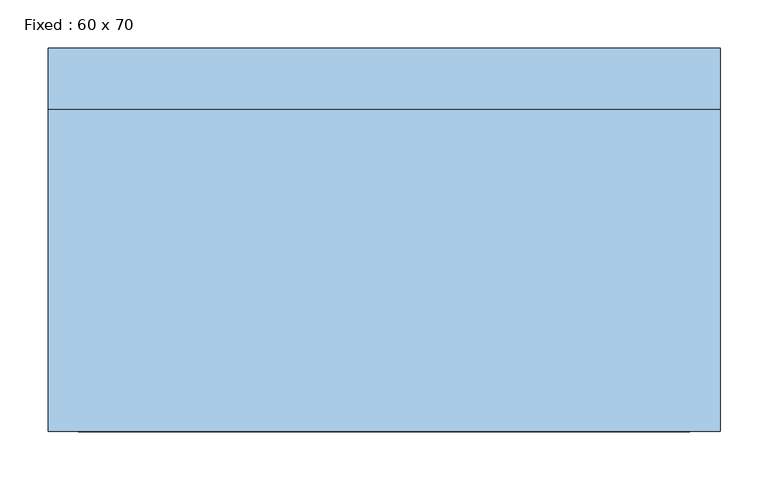
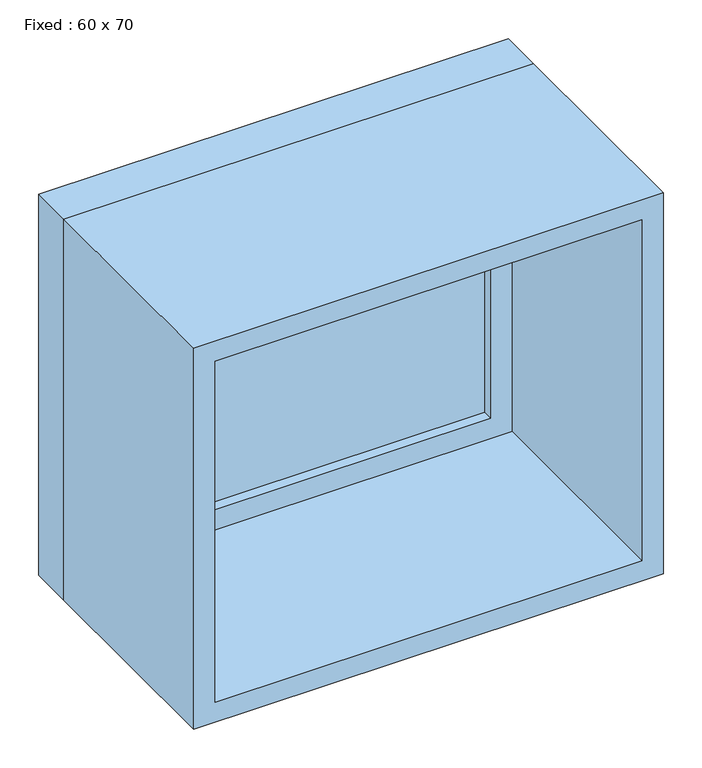
"""IFC4 building model written with IfcOpenShell, lengths in millimetres: window geometry, Fixed : 60 x 70."""

import ifcopenshell
import ifcopenshell.guid

model = None  # the IFC model being written
_history = None  # IfcOwnerHistory: only IFC2X3 demands one
_inside = {}  # id of a spatial element -> (the spatial element, [elements in it])
_under = {}  # id of a project, library or spatial element -> (it, [spatial elements below it])
_declared = {}  # id of a project -> (the project, [libraries it declares])
_typed = {}  # id of a type object -> (the type object, [elements of that type])
_made_of = {}  # id of a material, layer set ... -> (it, [elements and type objects made of it])


def new_model(schema):
    """Start an empty IFC model of exactly this schema.

    Asked for "IFC4X3", IfcOpenShell would pick the latest addendum, in which some entities
    have other attributes; the version numbers below select the first issue.
    IFC2X3 requires an IfcOwnerHistory on every rooted entity: one is made here for all.
    """
    global model, _history
    if schema == "IFC4X3":
        model = ifcopenshell.file(schema_version=(4, 3, 0, 0))
    else:
        model = ifcopenshell.file(schema=schema)
    _inside.clear()
    _under.clear()
    _declared.clear()
    _typed.clear()
    _made_of.clear()
    _history = None
    if model.schema == "IFC2X3":
        org = make("IfcOrganization", Name="unknown")
        user = make(
            "IfcPersonAndOrganization",
            ThePerson=make("IfcPerson", FamilyName="unknown"),
            TheOrganization=org,
        )
        app = make(
            "IfcApplication",
            ApplicationDeveloper=org,
            Version="unknown",
            ApplicationFullName="unknown",
            ApplicationIdentifier="unknown",
        )
        _history = make(
            "IfcOwnerHistory",
            OwningUser=user,
            OwningApplication=app,
            ChangeAction="ADDED",
            CreationDate=0,
        )
    return model


def make(cls, **values):
    """One entity of the class cls with the attributes given. An attribute that is None is left unset."""
    return model.create_entity(
        cls, **{name: value for name, value in values.items() if value is not None}
    )


def rooted(cls, **values):
    """An entity with a GlobalId (a new one), such as an element, a storey or a relation."""
    return make(cls, GlobalId=ifcopenshell.guid.new(), OwnerHistory=_history, **values)


def si_unit(unit_type, name, prefix=None):
    """IfcSIUnit, for example si_unit("LENGTHUNIT", "METRE", prefix="MILLI")."""
    return make("IfcSIUnit", UnitType=unit_type, Prefix=prefix, Name=name)


def assignment(units):
    """IfcUnitAssignment: the units of a project."""
    return None if units is None else make("IfcUnitAssignment", Units=units)


def point(xyz):
    """IfcCartesianPoint."""
    return None if xyz is None else make("IfcCartesianPoint", Coordinates=xyz)


def direction(xyz):
    """IfcDirection."""
    return None if xyz is None else make("IfcDirection", DirectionRatios=xyz)


def frame(location, z_axis=None, x_axis=None):
    """IfcAxis2Placement3D, a coordinate frame: its origin and axes. An axis left out is left unset."""
    return make(
        "IfcAxis2Placement3D",
        Location=point(location),
        Axis=direction(z_axis),
        RefDirection=direction(x_axis),
    )


def origin():
    """The frame at (0, 0, 0) with its axes left unset."""
    return frame((0.0, 0.0, 0.0))


def place(relative_to, where):
    """IfcLocalPlacement: puts the frame where relative to a parent placement (None: the world)."""
    return make(
        "IfcLocalPlacement", PlacementRelTo=relative_to, RelativePlacement=where
    )


def context(
    kind, dimensions, precision=None, world=None, true_north=None, identifier=None
):
    """IfcGeometricRepresentationContext, for example the 3D "Model" context."""
    return make(
        "IfcGeometricRepresentationContext",
        ContextIdentifier=identifier,
        ContextType=kind,
        CoordinateSpaceDimension=dimensions,
        Precision=precision,
        WorldCoordinateSystem=world,
        TrueNorth=true_north,
    )


def project(units=None, contexts=None):
    """IfcProject with its units and contexts."""
    return rooted(
        "IfcProject",
        Name="project",
        RepresentationContexts=contexts,
        UnitsInContext=assignment(units),
    )


def spatial(cls, under=None, at=None, **own):
    """A site, building, storey or space (cls), placed at a placement, below another one or the project."""
    s = rooted(cls, ObjectPlacement=at, **own)
    if under is not None:
        _under.setdefault(under.id(), (under, []))[1].append(s)
    return s


def polyline(points):
    """IfcPolyline through the points."""
    return make("IfcPolyline", Points=[point(p) for p in points])


def outline(outer, holes=None, kind="AREA"):
    """IfcArbitraryClosedProfileDef: a profile drawn as a closed curve; with holes, ...WithVoids."""
    if holes is None:
        return make("IfcArbitraryClosedProfileDef", ProfileType=kind, OuterCurve=outer)
    return make(
        "IfcArbitraryProfileDefWithVoids",
        ProfileType=kind,
        OuterCurve=outer,
        InnerCurves=holes,
    )


def extrude(swept, where, along, depth):
    """IfcExtrudedAreaSolid: the profile swept, set in the frame where, extruded along a direction by depth."""
    return make(
        "IfcExtrudedAreaSolid",
        SweptArea=swept,
        Position=where,
        ExtrudedDirection=direction(along),
        Depth=depth,
    )


def shape(context_of_items, identifier, shape_type, items):
    """IfcShapeRepresentation: the items that make up one representation, for example the "Body"."""
    return make(
        "IfcShapeRepresentation",
        ContextOfItems=context_of_items,
        RepresentationIdentifier=identifier,
        RepresentationType=shape_type,
        Items=items,
    )


def source(mapping_origin, context_of_items, identifier, shape_type, items):
    """IfcRepresentationMap: a shape defined once, which mapped items show again and again."""
    return make(
        "IfcRepresentationMap",
        MappingOrigin=mapping_origin,
        MappedRepresentation=shape(context_of_items, identifier, shape_type, items),
    )


def transform(
    local_origin,
    x_axis=None,
    y_axis=None,
    z_axis=None,
    scale=None,
    scale2=None,
    scale3=None,
    uniform=True,
):
    """IfcCartesianTransformationOperator3D, or its non-uniform kind. x_axis, y_axis, z_axis: its Axis1, 2, 3."""
    if uniform:
        return make(
            "IfcCartesianTransformationOperator3D",
            Axis1=direction(x_axis),
            Axis2=direction(y_axis),
            LocalOrigin=point(local_origin),
            Scale=scale,
            Axis3=direction(z_axis),
        )
    return make(
        "IfcCartesianTransformationOperator3DnonUniform",
        Axis1=direction(x_axis),
        Axis2=direction(y_axis),
        LocalOrigin=point(local_origin),
        Scale=scale,
        Axis3=direction(z_axis),
        Scale2=scale2,
        Scale3=scale3,
    )


def mapped(mapping_source, mapping_target):
    """IfcMappedItem: shows the shape of a source again, moved by a transform."""
    return make(
        "IfcMappedItem", MappingSource=mapping_source, MappingTarget=mapping_target
    )


def made_of(thing, what):
    """Note that an element or type object is made of a material, layer set ...; save() writes the relation."""
    if what is not None:
        _made_of.setdefault(what.id(), (what, []))[1].append(thing)
    return thing


def element(
    cls,
    number,
    at=None,
    inside=None,
    cuts=None,
    type_object=None,
    material=None,
    context=None,
    identifier="Body",
    shape_type=None,
    held_by="IfcProductDefinitionShape",
    body=None,
    shapes=None,
    **own,
):
    """One element of the class cls, such as IfcWall. Its Tag is "e" and its number.

    at: its placement. inside: the storey or other place that contains it. cuts: it is an
    opening in that element (IfcRelVoidsElement). A single representation is given by context,
    identifier, shape_type and body (its items); several are given by shapes. held_by: the class
    of the entity that holds the representations. save() writes the other relations.
    """
    e = rooted(cls, Tag="e%d" % number, ObjectPlacement=at, **own)
    if body is not None:
        shapes = [shape(context, identifier, shape_type, body)]
    if shapes is not None:
        e.Representation = make(held_by, Representations=shapes)
    if inside is not None:
        _inside.setdefault(inside.id(), (inside, []))[1].append(e)
    if cuts is not None:
        rooted(
            "IfcRelVoidsElement", RelatingBuildingElement=cuts, RelatedOpeningElement=e
        )
    if type_object is not None:
        _typed.setdefault(type_object.id(), (type_object, []))[1].append(e)
    return made_of(e, material)


def aggregate(whole, parts):
    """IfcRelAggregates: a whole, such as a stair, and the parts it consists of."""
    return rooted("IfcRelAggregates", RelatingObject=whole, RelatedObjects=parts)


def save(model, path):
    """Write the relations noted so far, then the file.

    IfcRelAggregates (storeys below a building ...), IfcRelContainedInSpatialStructure (elements
    in a storey), IfcRelDefinesByType, IfcRelAssociatesMaterial and IfcRelDeclares: one each for
    every whole, place, type object, material and project.
    """
    for whole, parts in _under.values():
        aggregate(whole, parts)
    for where, things in _inside.values():
        rooted(
            "IfcRelContainedInSpatialStructure",
            RelatedElements=things,
            RelatingStructure=where,
        )
    for kind, things in _typed.values():
        rooted("IfcRelDefinesByType", RelatedObjects=things, RelatingType=kind)
    for what, things in _made_of.values():
        rooted("IfcRelAssociatesMaterial", RelatedObjects=things, RelatingMaterial=what)
    for by, libraries in _declared.values():
        rooted("IfcRelDeclares", RelatingContext=by, RelatedDefinitions=libraries)
    model.write(path)


def fixed_60_x_70_818b0f42(model_context):
    return source(origin(), model_context, "Body", "SweptSolid", [
        extrude(outline(polyline([(248.4, 151.425), (-324.6, 151.425), (-324.6, 164.125), (248.4, 164.125), (248.4, 151.425)])), frame((0.0, 0.0, 763.5), z_axis=(0.0, 0.0, 1.0), x_axis=(1.0, 0.0, 0.0)), (0.0, 0.0, 1.0), 473.0),
        extrude(outline(polyline([(1280.95, -369.05), (719.05, -369.05), (719.05, 292.85), (1280.95, 292.85), (1280.95, -369.05)]), holes=[polyline([(1236.5, -324.6), (1236.5, 248.4), (763.5, 248.4), (763.5, -324.6), (1236.5, -324.6)])]), frame((0.0, 135.55, 0.0), z_axis=(0.0, 1.0, 0.0), x_axis=(0.0, 0.0, 1.0)), (0.0, 0.0, 1.0), 44.45),
        extrude(outline(polyline([(1300.0, -388.1), (700.0, -388.1), (700.0, 311.9), (1300.0, 311.9), (1300.0, -388.1)]), holes=[polyline([(1268.25, -356.35), (1268.25, 280.15), (731.75, 280.15), (731.75, -356.35), (1268.25, -356.35)])]), frame((0.0, -200.0, 0.0), z_axis=(0.0, 1.0, 0.0), x_axis=(0.0, 0.0, 1.0)), (0.0, 0.0, 1.0), 335.55),
        extrude(outline(polyline([(1300.0, 311.9), (1300.0, -388.1), (700.0, -388.1), (700.0, 311.9), (1300.0, 311.9)]), holes=[polyline([(1280.95, 292.85), (719.05, 292.85), (719.05, -369.05), (1280.95, -369.05), (1280.95, 292.85)])]), frame((0.0, 135.55, 0.0), z_axis=(0.0, 1.0, 0.0), x_axis=(0.0, 0.0, 1.0)), (0.0, 0.0, 1.0), 64.45),
    ])


if __name__ == "__main__":
    model = new_model("IFC4")
    model_context = context("Model", 3, world=origin())
    ifc_project = project(units=[si_unit("LENGTHUNIT", "METRE", prefix="MILLI")], contexts=[model_context])
    site = spatial("IfcSite", under=ifc_project)
    building = spatial("IfcBuilding", under=site)
    placement = place(None, origin())
    fixed_60_x_70_shape = fixed_60_x_70_818b0f42(model_context)
    element("IfcWindow", 1, ObjectType="Fixed : 60 x 70", at=placement, inside=building, context=model_context, shape_type="MappedRepresentation", body=[
        mapped(fixed_60_x_70_shape, transform((0.0, 0.0, 0.0), x_axis=(1.0, 0.0, 0.0), y_axis=(0.0, 1.0, 0.0), z_axis=(0.0, 0.0, 1.0))),
    ])
    save(model, "model.ifc")
